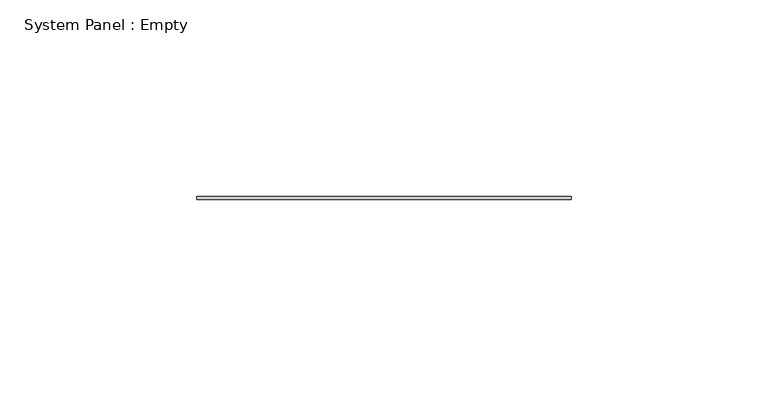
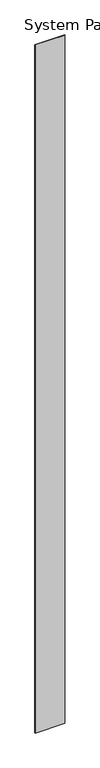
"""IFC4 building model written with IfcOpenShell, lengths in millimetres: plate geometry, System Panel : Empty."""

from ifc_helpers import new_model, si_unit, origin, origin_with_axes, place, context, project, spatial, polyline, outline, extrude, source, transform, mapped, element, save


def system_panel_empty_3b2093a2(model_context):
    return source(origin(), model_context, "Body", "SweptSolid", [
        extrude(outline(polyline([(47.625, -0.396875), (-47.625, -0.396875), (-47.625, 0.396875), (47.625, 0.396875), (47.625, -0.396875)])), origin_with_axes(), (0.0, 0.0, 1.0), 2330.45),
    ])


if __name__ == "__main__":
    model = new_model("IFC4")
    model_context = context("Model", 3, world=origin())
    ifc_project = project(units=[si_unit("LENGTHUNIT", "METRE", prefix="MILLI")], contexts=[model_context])
    site = spatial("IfcSite", under=ifc_project)
    building = spatial("IfcBuilding", under=site)
    placement = place(None, origin())
    system_panel_empty_shape = system_panel_empty_3b2093a2(model_context)
    element("IfcPlate", 1, ObjectType="System Panel : Empty", at=placement, inside=building, context=model_context, shape_type="MappedRepresentation", body=[
        mapped(system_panel_empty_shape, transform((0.0, 0.0, 0.0), x_axis=(1.0, 0.0, 0.0), y_axis=(0.0, 1.0, 0.0), z_axis=(0.0, 0.0, 1.0))),
    ])
    save(model, "model.ifc")
